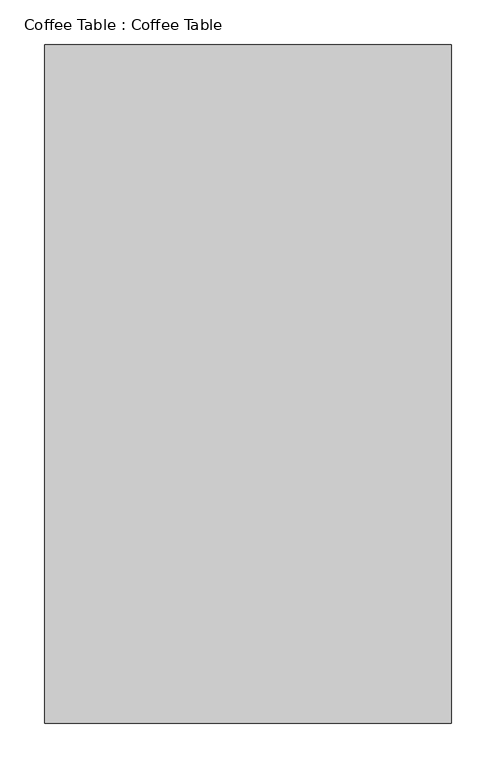
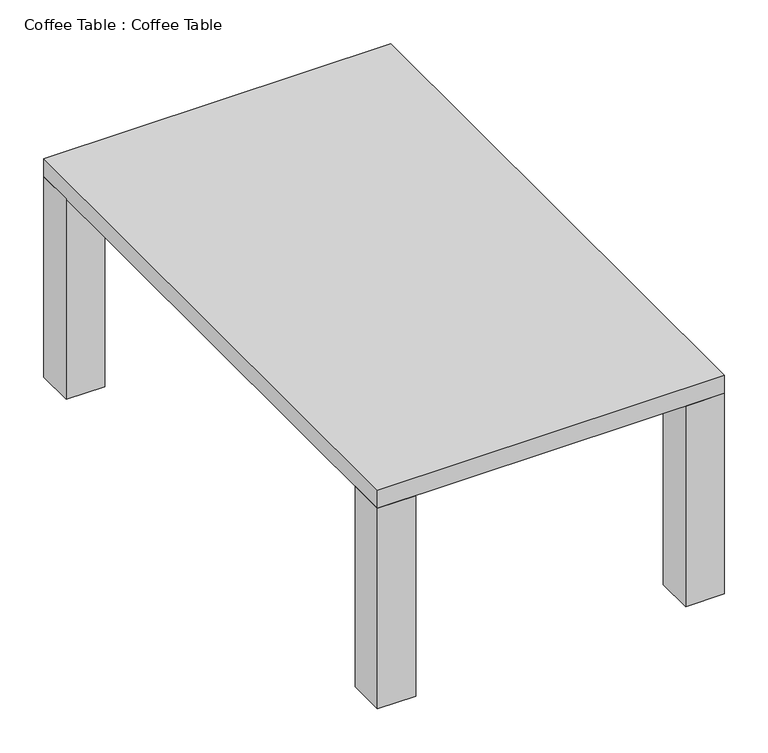
"""IFC4 building model written with IfcOpenShell, lengths in millimetres: furniture geometry, Coffee Table : Coffee Table."""

from ifc_helpers import new_model, si_unit, frame, origin, origin_with_axes, place, context, project, spatial, polyline, outline, extrude, source, transform, mapped, element, save


def coffee_table_coffee_table_a09fdd7b(model_context):
    return source(origin(), model_context, "Body", "SweptSolid", [
        extrude(outline(polyline([(50.8, 711.2), (0.0, 711.2), (0.0, 762.0), (50.8, 762.0), (50.8, 711.2)])), origin_with_axes(), (0.0, 0.0, 1.0), 279.4),
        extrude(outline(polyline([(457.2, 711.2), (406.4, 711.2), (406.4, 762.0), (457.2, 762.0), (457.2, 711.2)])), origin_with_axes(), (0.0, 0.0, 1.0), 279.4),
        extrude(outline(polyline([(457.2, 0.0), (406.4, 0.0), (406.4, 50.8), (457.2, 50.8), (457.2, 0.0)])), origin_with_axes(), (0.0, 0.0, 1.0), 279.4),
        extrude(outline(polyline([(50.8, 0.0), (0.0, 0.0), (0.0, 50.8), (50.8, 50.8), (50.8, 0.0)])), origin_with_axes(), (0.0, 0.0, 1.0), 279.4),
        extrude(outline(polyline([(457.2, 0.0), (0.0, 0.0), (0.0, 762.0), (457.2, 762.0), (457.2, 0.0)])), frame((0.0, 0.0, 279.4), z_axis=(0.0, 0.0, 1.0), x_axis=(1.0, 0.0, 0.0)), (0.0, 0.0, 1.0), 25.4),
    ])


if __name__ == "__main__":
    model = new_model("IFC4")
    model_context = context("Model", 3, world=origin())
    ifc_project = project(units=[si_unit("LENGTHUNIT", "METRE", prefix="MILLI")], contexts=[model_context])
    site = spatial("IfcSite", under=ifc_project)
    building = spatial("IfcBuilding", under=site)
    placement = place(None, origin())
    coffee_table_coffee_table_shape = coffee_table_coffee_table_a09fdd7b(model_context)
    element("IfcFurniture", 1, ObjectType="Coffee Table : Coffee Table", at=placement, inside=building, context=model_context, shape_type="MappedRepresentation", body=[
        mapped(coffee_table_coffee_table_shape, transform((0.0, 0.0, 0.0), x_axis=(1.0, 0.0, 0.0), y_axis=(0.0, 1.0, 0.0), z_axis=(0.0, 0.0, 1.0))),
    ])
    save(model, "model.ifc")
